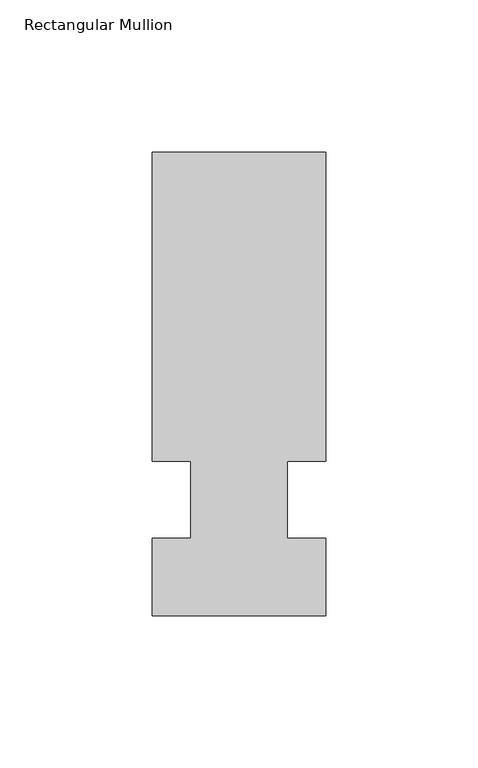
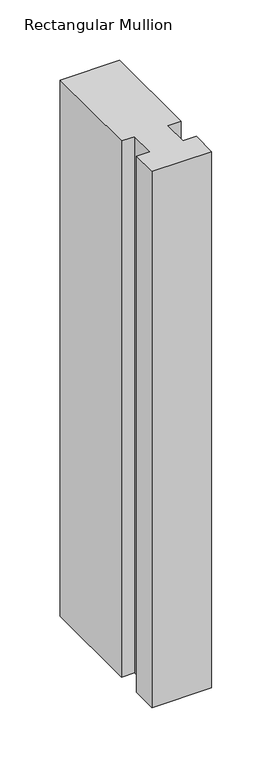
"""IFC4 building model written with IfcOpenShell, lengths in millimetres: member geometry, Rectangular Mullion."""

from ifc_helpers import new_model, si_unit, frame, origin, place, context, project, spatial, polyline, outline, extrude, source, transform, mapped, element, save


def rectangular_mullion_dfc10f63(model_context):
    return source(origin(), model_context, "Body", "SweptSolid", [
        extrude(outline(polyline([(32.9094027, 114.3), (32.9094027, 12.7), (20.2076322, 12.7), (20.2076322, -12.7), (32.9094027, -12.7), (32.9094027, -38.1), (-24.2405973, -38.1), (-24.2405973, -12.7), (-11.5405973, -12.7), (-11.5405973, 12.7), (-24.2405973, 12.7), (-24.2405973, 114.3), (32.9094027, 114.3)])), frame((0.0, 0.0, -542.925), z_axis=(0.0, 0.0, 1.0), x_axis=(1.0, 0.0, 0.0)), (0.0, 0.0, 1.0), 542.925),
    ])


if __name__ == "__main__":
    model = new_model("IFC4")
    model_context = context("Model", 3, world=origin())
    ifc_project = project(units=[si_unit("LENGTHUNIT", "METRE", prefix="MILLI")], contexts=[model_context])
    site = spatial("IfcSite", under=ifc_project)
    building = spatial("IfcBuilding", under=site)
    placement = place(None, origin())
    rectangular_mullion_shape = rectangular_mullion_dfc10f63(model_context)
    element("IfcMember", 1, ObjectType="Rectangular Mullion", at=placement, inside=building, context=model_context, shape_type="MappedRepresentation", body=[
        mapped(rectangular_mullion_shape, transform((0.0, 0.0, 0.0), x_axis=(1.0, 0.0, 0.0), y_axis=(0.0, 1.0, 0.0), z_axis=(0.0, 0.0, 1.0))),
    ])
    save(model, "model.ifc")
